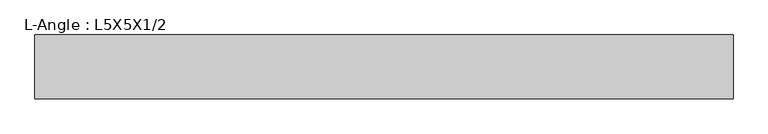
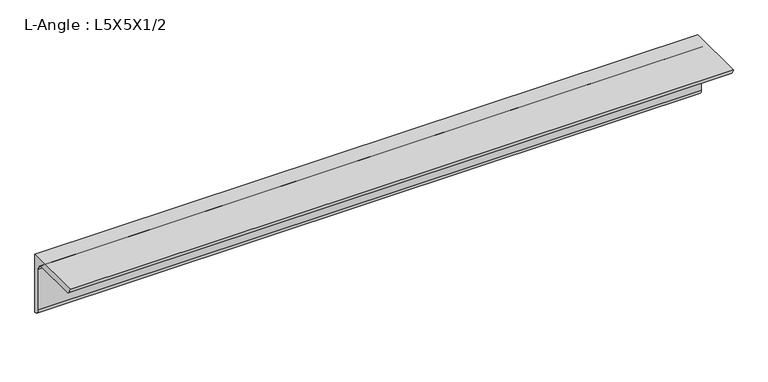
"""IFC4 building model written with IfcOpenShell, lengths in millimetres: beam geometry, L-Angle : L5X5X1/2."""

import ifcopenshell
import ifcopenshell.guid

model = None  # the IFC model being written
_history = None  # IfcOwnerHistory: only IFC2X3 demands one
_inside = {}  # id of a spatial element -> (the spatial element, [elements in it])
_under = {}  # id of a project, library or spatial element -> (it, [spatial elements below it])
_declared = {}  # id of a project -> (the project, [libraries it declares])
_typed = {}  # id of a type object -> (the type object, [elements of that type])
_made_of = {}  # id of a material, layer set ... -> (it, [elements and type objects made of it])


def new_model(schema):
    """Start an empty IFC model of exactly this schema.

    Asked for "IFC4X3", IfcOpenShell would pick the latest addendum, in which some entities
    have other attributes; the version numbers below select the first issue.
    IFC2X3 requires an IfcOwnerHistory on every rooted entity: one is made here for all.
    """
    global model, _history
    if schema == "IFC4X3":
        model = ifcopenshell.file(schema_version=(4, 3, 0, 0))
    else:
        model = ifcopenshell.file(schema=schema)
    _inside.clear()
    _under.clear()
    _declared.clear()
    _typed.clear()
    _made_of.clear()
    _history = None
    if model.schema == "IFC2X3":
        org = make("IfcOrganization", Name="unknown")
        user = make(
            "IfcPersonAndOrganization",
            ThePerson=make("IfcPerson", FamilyName="unknown"),
            TheOrganization=org,
        )
        app = make(
            "IfcApplication",
            ApplicationDeveloper=org,
            Version="unknown",
            ApplicationFullName="unknown",
            ApplicationIdentifier="unknown",
        )
        _history = make(
            "IfcOwnerHistory",
            OwningUser=user,
            OwningApplication=app,
            ChangeAction="ADDED",
            CreationDate=0,
        )
    return model


def make(cls, **values):
    """One entity of the class cls with the attributes given. An attribute that is None is left unset."""
    return model.create_entity(
        cls, **{name: value for name, value in values.items() if value is not None}
    )


def rooted(cls, **values):
    """An entity with a GlobalId (a new one), such as an element, a storey or a relation."""
    return make(cls, GlobalId=ifcopenshell.guid.new(), OwnerHistory=_history, **values)


def si_unit(unit_type, name, prefix=None):
    """IfcSIUnit, for example si_unit("LENGTHUNIT", "METRE", prefix="MILLI")."""
    return make("IfcSIUnit", UnitType=unit_type, Prefix=prefix, Name=name)


def assignment(units):
    """IfcUnitAssignment: the units of a project."""
    return None if units is None else make("IfcUnitAssignment", Units=units)


def point(xyz):
    """IfcCartesianPoint."""
    return None if xyz is None else make("IfcCartesianPoint", Coordinates=xyz)


def direction(xyz):
    """IfcDirection."""
    return None if xyz is None else make("IfcDirection", DirectionRatios=xyz)


def frame(location, z_axis=None, x_axis=None):
    """IfcAxis2Placement3D, a coordinate frame: its origin and axes. An axis left out is left unset."""
    return make(
        "IfcAxis2Placement3D",
        Location=point(location),
        Axis=direction(z_axis),
        RefDirection=direction(x_axis),
    )


def frame_2d(location, x_axis=None):
    """IfcAxis2Placement2D, a coordinate frame in the plane: its origin and x axis."""
    return make(
        "IfcAxis2Placement2D", Location=point(location), RefDirection=direction(x_axis)
    )


def origin():
    """The frame at (0, 0, 0) with its axes left unset."""
    return frame((0.0, 0.0, 0.0))


def place(relative_to, where):
    """IfcLocalPlacement: puts the frame where relative to a parent placement (None: the world)."""
    return make(
        "IfcLocalPlacement", PlacementRelTo=relative_to, RelativePlacement=where
    )


def context(
    kind, dimensions, precision=None, world=None, true_north=None, identifier=None
):
    """IfcGeometricRepresentationContext, for example the 3D "Model" context."""
    return make(
        "IfcGeometricRepresentationContext",
        ContextIdentifier=identifier,
        ContextType=kind,
        CoordinateSpaceDimension=dimensions,
        Precision=precision,
        WorldCoordinateSystem=world,
        TrueNorth=true_north,
    )


def project(units=None, contexts=None):
    """IfcProject with its units and contexts."""
    return rooted(
        "IfcProject",
        Name="project",
        RepresentationContexts=contexts,
        UnitsInContext=assignment(units),
    )


def spatial(cls, under=None, at=None, **own):
    """A site, building, storey or space (cls), placed at a placement, below another one or the project."""
    s = rooted(cls, ObjectPlacement=at, **own)
    if under is not None:
        _under.setdefault(under.id(), (under, []))[1].append(s)
    return s


def polyline(points):
    """IfcPolyline through the points."""
    return make("IfcPolyline", Points=[point(p) for p in points])


def circle_curve(where, radius):
    """IfcCircle in the frame where."""
    return make("IfcCircle", Position=where, Radius=radius)


def trimmed(basis, trim1, trim2, sense, master):
    """IfcTrimmedCurve: the piece of a basis curve between two trims."""
    return make(
        "IfcTrimmedCurve",
        BasisCurve=basis,
        Trim1=trim1,
        Trim2=trim2,
        SenseAgreement=sense,
        MasterRepresentation=master,
    )


def segment(curve, same_sense, transition):
    """IfcCompositeCurveSegment."""
    return make(
        "IfcCompositeCurveSegment",
        Transition=transition,
        SameSense=same_sense,
        ParentCurve=curve,
    )


def composite_curve(segments, self_intersect=None):
    """IfcCompositeCurve: segments joined end to end."""
    return make("IfcCompositeCurve", Segments=segments, SelfIntersect=self_intersect)


def outline(outer, holes=None, kind="AREA"):
    """IfcArbitraryClosedProfileDef: a profile drawn as a closed curve; with holes, ...WithVoids."""
    if holes is None:
        return make("IfcArbitraryClosedProfileDef", ProfileType=kind, OuterCurve=outer)
    return make(
        "IfcArbitraryProfileDefWithVoids",
        ProfileType=kind,
        OuterCurve=outer,
        InnerCurves=holes,
    )


def extrude(swept, where, along, depth):
    """IfcExtrudedAreaSolid: the profile swept, set in the frame where, extruded along a direction by depth."""
    return make(
        "IfcExtrudedAreaSolid",
        SweptArea=swept,
        Position=where,
        ExtrudedDirection=direction(along),
        Depth=depth,
    )


def shape(context_of_items, identifier, shape_type, items):
    """IfcShapeRepresentation: the items that make up one representation, for example the "Body"."""
    return make(
        "IfcShapeRepresentation",
        ContextOfItems=context_of_items,
        RepresentationIdentifier=identifier,
        RepresentationType=shape_type,
        Items=items,
    )


def source(mapping_origin, context_of_items, identifier, shape_type, items):
    """IfcRepresentationMap: a shape defined once, which mapped items show again and again."""
    return make(
        "IfcRepresentationMap",
        MappingOrigin=mapping_origin,
        MappedRepresentation=shape(context_of_items, identifier, shape_type, items),
    )


def transform(
    local_origin,
    x_axis=None,
    y_axis=None,
    z_axis=None,
    scale=None,
    scale2=None,
    scale3=None,
    uniform=True,
):
    """IfcCartesianTransformationOperator3D, or its non-uniform kind. x_axis, y_axis, z_axis: its Axis1, 2, 3."""
    if uniform:
        return make(
            "IfcCartesianTransformationOperator3D",
            Axis1=direction(x_axis),
            Axis2=direction(y_axis),
            LocalOrigin=point(local_origin),
            Scale=scale,
            Axis3=direction(z_axis),
        )
    return make(
        "IfcCartesianTransformationOperator3DnonUniform",
        Axis1=direction(x_axis),
        Axis2=direction(y_axis),
        LocalOrigin=point(local_origin),
        Scale=scale,
        Axis3=direction(z_axis),
        Scale2=scale2,
        Scale3=scale3,
    )


def mapped(mapping_source, mapping_target):
    """IfcMappedItem: shows the shape of a source again, moved by a transform."""
    return make(
        "IfcMappedItem", MappingSource=mapping_source, MappingTarget=mapping_target
    )


def made_of(thing, what):
    """Note that an element or type object is made of a material, layer set ...; save() writes the relation."""
    if what is not None:
        _made_of.setdefault(what.id(), (what, []))[1].append(thing)
    return thing


def element(
    cls,
    number,
    at=None,
    inside=None,
    cuts=None,
    type_object=None,
    material=None,
    context=None,
    identifier="Body",
    shape_type=None,
    held_by="IfcProductDefinitionShape",
    body=None,
    shapes=None,
    **own,
):
    """One element of the class cls, such as IfcWall. Its Tag is "e" and its number.

    at: its placement. inside: the storey or other place that contains it. cuts: it is an
    opening in that element (IfcRelVoidsElement). A single representation is given by context,
    identifier, shape_type and body (its items); several are given by shapes. held_by: the class
    of the entity that holds the representations. save() writes the other relations.
    """
    e = rooted(cls, Tag="e%d" % number, ObjectPlacement=at, **own)
    if body is not None:
        shapes = [shape(context, identifier, shape_type, body)]
    if shapes is not None:
        e.Representation = make(held_by, Representations=shapes)
    if inside is not None:
        _inside.setdefault(inside.id(), (inside, []))[1].append(e)
    if cuts is not None:
        rooted(
            "IfcRelVoidsElement", RelatingBuildingElement=cuts, RelatedOpeningElement=e
        )
    if type_object is not None:
        _typed.setdefault(type_object.id(), (type_object, []))[1].append(e)
    return made_of(e, material)


def aggregate(whole, parts):
    """IfcRelAggregates: a whole, such as a stair, and the parts it consists of."""
    return rooted("IfcRelAggregates", RelatingObject=whole, RelatedObjects=parts)


def save(model, path):
    """Write the relations noted so far, then the file.

    IfcRelAggregates (storeys below a building ...), IfcRelContainedInSpatialStructure (elements
    in a storey), IfcRelDefinesByType, IfcRelAssociatesMaterial and IfcRelDeclares: one each for
    every whole, place, type object, material and project.
    """
    for whole, parts in _under.values():
        aggregate(whole, parts)
    for where, things in _inside.values():
        rooted(
            "IfcRelContainedInSpatialStructure",
            RelatedElements=things,
            RelatingStructure=where,
        )
    for kind, things in _typed.values():
        rooted("IfcRelDefinesByType", RelatedObjects=things, RelatingType=kind)
    for what, things in _made_of.values():
        rooted("IfcRelAssociatesMaterial", RelatedObjects=things, RelatingMaterial=what)
    for by, libraries in _declared.values():
        rooted("IfcRelDeclares", RelatingContext=by, RelatedDefinitions=libraries)
    model.write(path)


def l_angle_l5x5x1_2_373d87ad(model_context):
    return source(origin(), model_context, "Body", "SweptSolid", [
        extrude(outline(composite_curve([segment(polyline([(36.068, 36.068), (36.068, -90.932)]), True, "CONTINUOUS"), segment(trimmed(circle_curve(frame_2d((36.068, -78.232)), 12.7), [point((36.068, -90.932))], [point((23.368, -78.232))], False, "CARTESIAN"), True, "CONTINUOUS"), segment(polyline([(23.368, -78.232), (23.368, 10.668)]), True, "CONTINUOUS"), segment(trimmed(circle_curve(frame_2d((10.668, 10.668)), 12.7), [point((23.368, 10.668))], [point((10.668, 23.368))], True, "CARTESIAN"), True, "CONTINUOUS"), segment(polyline([(10.668, 23.368), (-78.232, 23.368)]), True, "CONTINUOUS"), segment(trimmed(circle_curve(frame_2d((-78.232, 36.068)), 12.7), [point((-78.232, 23.368))], [point((-90.932, 36.068))], False, "CARTESIAN"), True, "CONTINUOUS"), segment(polyline([(-90.932, 36.068), (36.068, 36.068)]), True, "CONTINUOUS")], self_intersect=False)), frame((-1288.0930136, 0.0, 0.0), z_axis=(1.0, 0.0, 0.0), x_axis=(0.0, 1.0, 0.0)), (0.0, 0.0, 1.0), 1383.6562145),
    ])


if __name__ == "__main__":
    model = new_model("IFC4")
    model_context = context("Model", 3, world=origin())
    ifc_project = project(units=[si_unit("LENGTHUNIT", "METRE", prefix="MILLI")], contexts=[model_context])
    site = spatial("IfcSite", under=ifc_project)
    building = spatial("IfcBuilding", under=site)
    placement = place(None, origin())
    l_angle_l5x5x1_2_shape = l_angle_l5x5x1_2_373d87ad(model_context)
    element("IfcBeam", 1, ObjectType="L-Angle : L5X5X1/2", at=placement, inside=building, context=model_context, shape_type="MappedRepresentation", body=[
        mapped(l_angle_l5x5x1_2_shape, transform((0.0, 0.0, 0.0), x_axis=(1.0, 0.0, 0.0), y_axis=(0.0, 1.0, 0.0), z_axis=(0.0, 0.0, 1.0))),
    ])
    save(model, "model.ifc")
